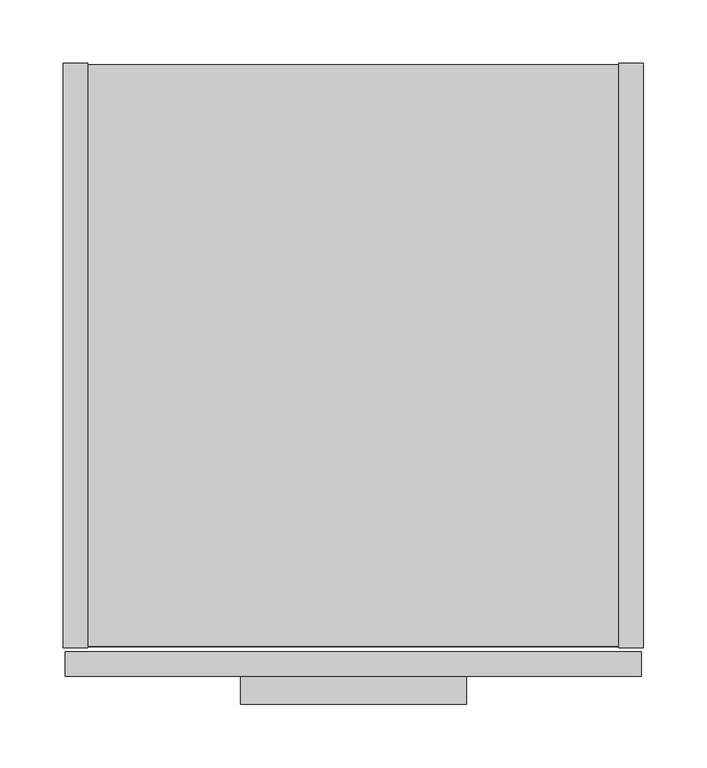
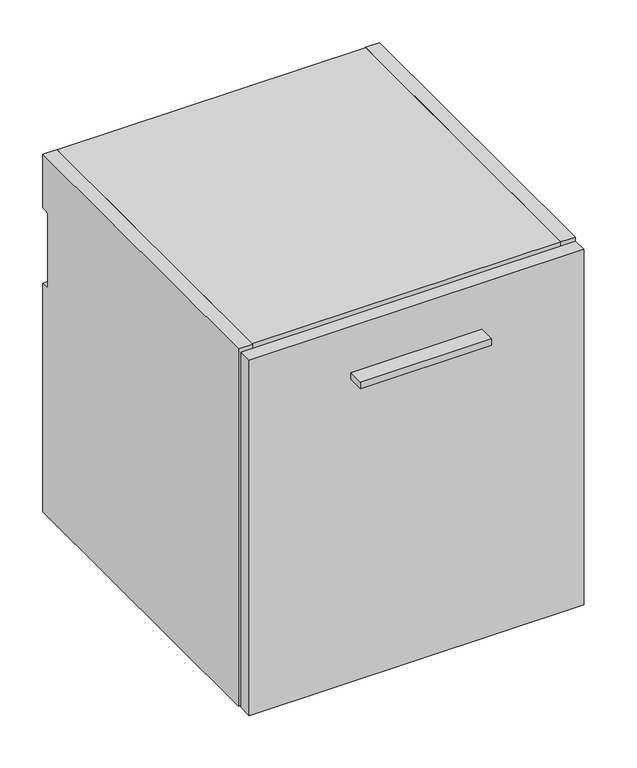
"""IFC4 building model written with IfcOpenShell, lengths in millimetres: furniture geometry."""

from ifc_helpers import new_model, si_unit, point, frame, frame_2d, origin, place, context, project, spatial, polyline, circle_curve, trimmed, segment, composite_curve, outline, extrude, source, transform, mapped, element, save


def furniture_7d95b0a8(model_context):
    return source(origin(), model_context, "Body", "SweptSolid", [
        extrude(outline(polyline([(317.5, -504.825), (139.7, -504.825), (139.7, -482.6), (317.5, -482.6), (317.5, -504.825)])), frame((0.0, 0.0, 809.9425), z_axis=(0.0, 0.0, 1.0), x_axis=(1.0, 0.0, 0.0)), (0.0, 0.0, 1.0), 9.525),
        extrude(outline(polyline([(455.6125, -482.6), (1.5875, -482.6), (1.5875, -463.296), (455.6125, -463.296), (455.6125, -482.6)])), frame((0.0, 0.0, 376.4026), z_axis=(0.0, 0.0, 1.0), x_axis=(1.0, 0.0, 0.0)), (0.0, 0.0, 1.0), 509.4224),
        extrude(outline(polyline([(457.2, 0.0), (457.2, -460.121), (437.896, -460.121), (437.896, 0.0), (457.2, 0.0)])), frame((0.0, 0.0, 376.428), z_axis=(0.0, 0.0, 1.0), x_axis=(1.0, 0.0, 0.0)), (0.0, 0.0, 1.0), 512.572),
        extrude(outline(polyline([(437.896, -0.9906), (437.896, -459.1304), (19.304, -459.1304), (19.304, -0.9906), (437.896, -0.9906)])), frame((0.0, 0.0, 377.4186), z_axis=(0.0, 0.0, 1.0), x_axis=(1.0, 0.0, 0.0)), (0.0, 0.0, 1.0), 19.304),
        extrude(outline(composite_curve([segment(polyline([(-32.004, 869.696), (-11.938, 869.696), (-11.938, 811.0988429)]), True, "CONTINUOUS"), segment(trimmed(circle_curve(frame_2d((-9.3963729, 808.9883729)), 3.3036271), [point((-11.938, 811.0988429))], [point((-12.7, 808.9883729))], True, "CARTESIAN"), True, "CONTINUOUS"), segment(polyline([(-12.7, 808.9883729), (-12.7, 707.644)]), True, "CONTINUOUS"), segment(trimmed(circle_curve(frame_2d((-9.398, 707.644)), 3.302), [point((-12.7, 707.644))], [point((-11.938, 705.5341175))], True, "CARTESIAN"), True, "CONTINUOUS"), segment(polyline([(-11.938, 705.5341175), (-11.938, 396.7226), (-32.004, 396.7226), (-32.004, 869.696)]), True, "CONTINUOUS")], self_intersect=False)), frame((19.304, 0.0, 0.0), z_axis=(1.0, 0.0, 0.0), x_axis=(0.0, 1.0, 0.0)), (0.0, 0.0, 1.0), 418.592),
        extrude(outline(composite_curve([segment(polyline([(-460.121, 889.0), (0.0, 889.0), (0.0, 812.292), (-9.3963729, 812.292)]), True, "CONTINUOUS"), segment(trimmed(circle_curve(frame_2d((-9.3963729, 808.9883729)), 3.3036271), [point((-9.3963729, 812.292))], [point((-12.7, 808.9883729))], True, "CARTESIAN"), True, "CONTINUOUS"), segment(polyline([(-12.7, 808.9883729), (-12.7, 707.644)]), True, "CONTINUOUS"), segment(trimmed(circle_curve(frame_2d((-9.398, 707.644)), 3.302), [point((-12.7, 707.644))], [point((-9.398, 704.342))], True, "CARTESIAN"), True, "CONTINUOUS"), segment(polyline([(-9.398, 704.342), (0.0, 704.342), (0.0, 376.428), (-460.121, 376.428), (-460.121, 889.0)]), True, "CONTINUOUS")], self_intersect=False)), frame((0.0, 0.0, 0.0), z_axis=(1.0, 0.0, 0.0), x_axis=(0.0, 1.0, 0.0)), (0.0, 0.0, 1.0), 19.304),
        extrude(outline(polyline([(437.896, -459.1304), (19.304, -459.1304), (19.304, -0.9906), (437.896, -0.9906), (437.896, -459.1304)])), frame((0.0, 0.0, 869.696), z_axis=(0.0, 0.0, 1.0), x_axis=(1.0, 0.0, 0.0)), (0.0, 0.0, 1.0), 19.304),
    ])


if __name__ == "__main__":
    model = new_model("IFC4")
    model_context = context("Model", 3, world=origin())
    ifc_project = project(units=[si_unit("LENGTHUNIT", "METRE", prefix="MILLI")], contexts=[model_context])
    site = spatial("IfcSite", under=ifc_project)
    building = spatial("IfcBuilding", under=site)
    placement = place(None, origin())
    furniture_shape = furniture_7d95b0a8(model_context)
    element("IfcFurniture", 1, at=placement, inside=building, context=model_context, shape_type="MappedRepresentation", body=[
        mapped(furniture_shape, transform((0.0, 0.0, 0.0), x_axis=(1.0, 0.0, 0.0), y_axis=(0.0, 1.0, 0.0), z_axis=(0.0, 0.0, 1.0))),
    ])
    save(model, "model.ifc")
